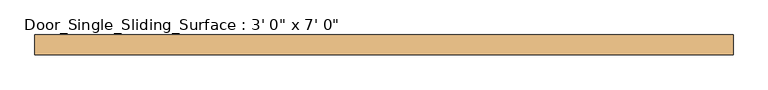
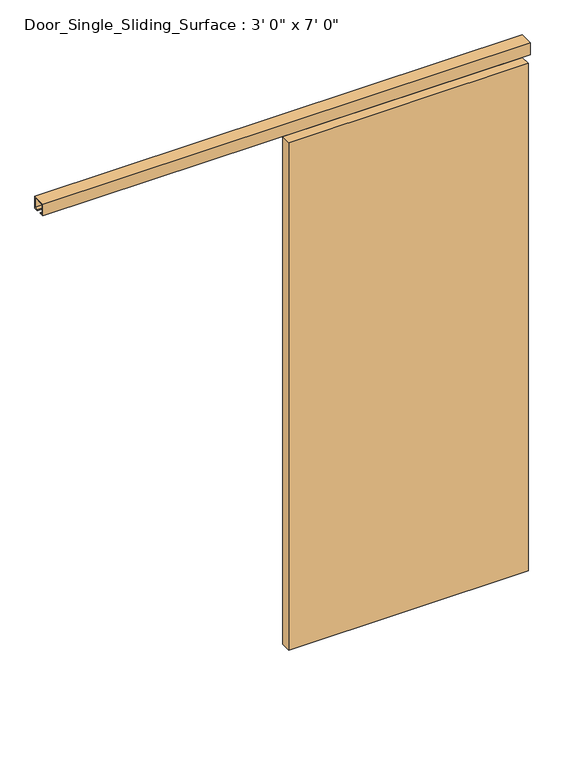
"""IFC4 building model written with IfcOpenShell, lengths in millimetres: door geometry."""

from ifc_helpers import new_model, si_unit, frame, origin, origin_with_axes, place, context, project, spatial, polyline, outline, extrude, source, transform, mapped, element, save


def door_e9236144(model_context):
    return source(origin(), model_context, "Body", "SweptSolid", [
        extrude(outline(polyline([(469.2, -90.4), (469.2, -130.4), (-487.2, -130.4), (-487.2, -90.4), (469.2, -90.4)])), origin_with_axes(), (0.0, 0.0, 1.0), 2143.6),
        extrude(outline(polyline([(-137.9, 2233.6), (-82.9, 2233.6), (-82.9, 2183.6), (-100.4, 2183.6), (-100.4, 2187.6), (-84.4, 2187.6), (-84.4, 2229.6), (-133.9, 2229.6), (-133.9, 2187.6), (-120.4, 2187.6), (-120.4, 2183.6), (-137.9, 2183.6), (-137.9, 2233.6)])), frame((-1473.6, 0.0, 0.0), z_axis=(1.0, 0.0, 0.0), x_axis=(0.0, 1.0, 0.0)), (0.0, 0.0, 1.0), 1945.8),
    ])


if __name__ == "__main__":
    model = new_model("IFC4")
    model_context = context("Model", 3, world=origin())
    ifc_project = project(units=[si_unit("LENGTHUNIT", "METRE", prefix="MILLI")], contexts=[model_context])
    site = spatial("IfcSite", under=ifc_project)
    building = spatial("IfcBuilding", under=site)
    placement = place(None, origin())
    door_shape = door_e9236144(model_context)
    element("IfcDoor", 1, ObjectType="Door_Single_Sliding_Surface : 3' 0\" x 7' 0\"", at=placement, inside=building, context=model_context, shape_type="MappedRepresentation", body=[
        mapped(door_shape, transform((0.0, 0.0, 0.0), x_axis=(1.0, 0.0, 0.0), y_axis=(0.0, 1.0, 0.0), z_axis=(0.0, 0.0, 1.0))),
    ])
    save(model, "model.ifc")
